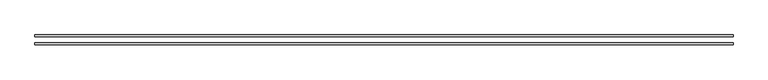
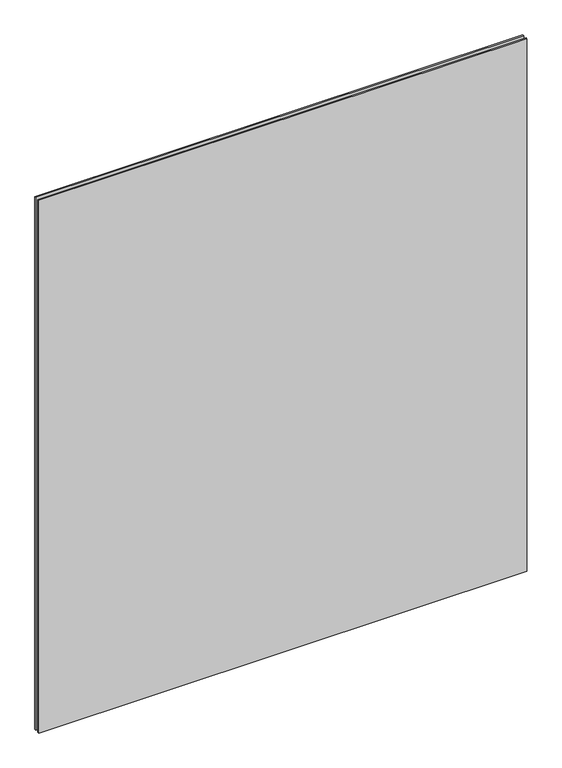
"""IFC4 building model written with IfcOpenShell, lengths in millimetres: plate geometry."""

from ifc_helpers import new_model, si_unit, origin, origin_with_axes, place, context, project, spatial, polyline, outline, extrude, source, transform, mapped, element, save


def plate_47a3067b(model_context):
    return source(origin(), model_context, "Body", "SweptSolid", [
        extrude(outline(polyline([(-1009.1474384, 14.0), (1009.1474384, 14.0), (1009.1474384, 8.0), (-1009.1474384, 8.0), (-1009.1474384, 14.0)])), origin_with_axes(), (0.0, 0.0, 1.0), 2328.9085582),
        extrude(outline(polyline([(-1009.1474384, -8.0), (1009.1474384, -8.0), (1009.1474384, -14.0), (-1009.1474384, -14.0), (-1009.1474384, -8.0)])), origin_with_axes(), (0.0, 0.0, 1.0), 2328.9085582),
    ])


if __name__ == "__main__":
    model = new_model("IFC4")
    model_context = context("Model", 3, world=origin())
    ifc_project = project(units=[si_unit("LENGTHUNIT", "METRE", prefix="MILLI")], contexts=[model_context])
    site = spatial("IfcSite", under=ifc_project)
    building = spatial("IfcBuilding", under=site)
    placement = place(None, origin())
    plate_shape = plate_47a3067b(model_context)
    element("IfcPlate", 1, at=placement, inside=building, context=model_context, shape_type="MappedRepresentation", body=[
        mapped(plate_shape, transform((0.0, 0.0, 0.0), x_axis=(1.0, 0.0, 0.0), y_axis=(0.0, 1.0, 0.0), z_axis=(0.0, 0.0, 1.0))),
    ])
    save(model, "model.ifc")
